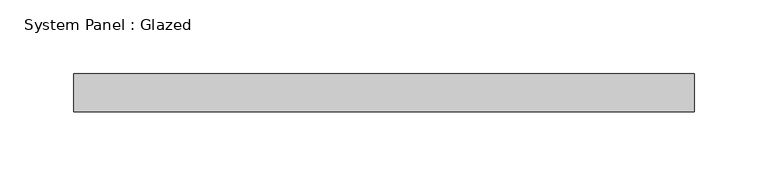
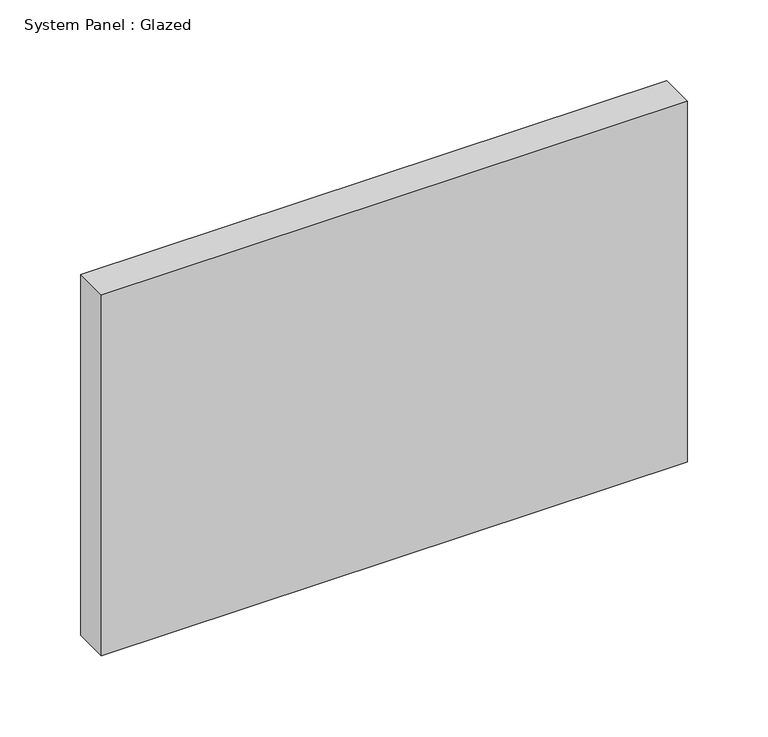
"""IFC4 building model written with IfcOpenShell, lengths in millimetres: plate geometry, System Panel : Glazed."""

from ifc_helpers import new_model, si_unit, origin, origin_with_axes, place, context, project, spatial, polyline, outline, extrude, source, transform, mapped, element, save


def system_panel_glazed_d0a7a924(model_context):
    return source(origin(), model_context, "Body", "SweptSolid", [
        extrude(outline(polyline([(209.55, 19.05), (-209.55, 19.05), (-209.55, 44.45), (209.55, 44.45), (209.55, 19.05)])), origin_with_axes(), (0.0, 0.0, 1.0), 273.05),
    ])


if __name__ == "__main__":
    model = new_model("IFC4")
    model_context = context("Model", 3, world=origin())
    ifc_project = project(units=[si_unit("LENGTHUNIT", "METRE", prefix="MILLI")], contexts=[model_context])
    site = spatial("IfcSite", under=ifc_project)
    building = spatial("IfcBuilding", under=site)
    placement = place(None, origin())
    system_panel_glazed_shape = system_panel_glazed_d0a7a924(model_context)
    element("IfcPlate", 1, ObjectType="System Panel : Glazed", at=placement, inside=building, context=model_context, shape_type="MappedRepresentation", body=[
        mapped(system_panel_glazed_shape, transform((0.0, 0.0, 0.0), x_axis=(1.0, 0.0, 0.0), y_axis=(0.0, 1.0, 0.0), z_axis=(0.0, 0.0, 1.0))),
    ])
    save(model, "model.ifc")
